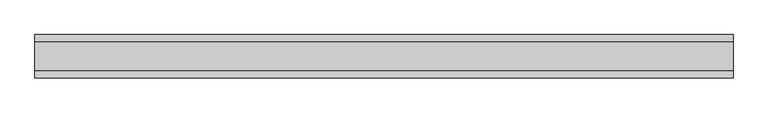
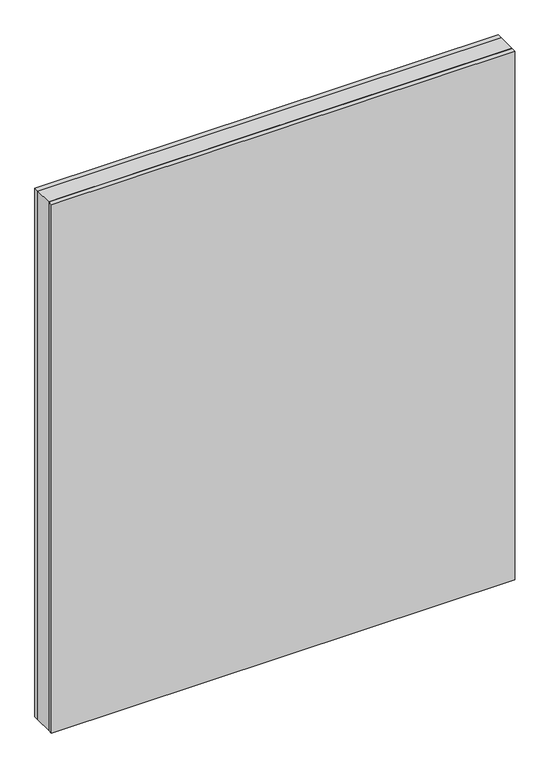
"""IFC4 building model written with IfcOpenShell, lengths in millimetres: plate geometry."""

from ifc_helpers import new_model, si_unit, origin, origin_with_axes, place, context, project, spatial, polyline, outline, extrude, source, transform, mapped, element, save


def plate_1a5a8a6e(model_context):
    return source(origin(), model_context, "Body", "SweptSolid", [
        extrude(outline(polyline([(602.1875001, 24.2), (602.1875001, -24.2), (-602.1875001, -24.2), (-602.1875001, 24.2), (602.1875001, 24.2)])), origin_with_axes(), (0.0, 0.0, 1.0), 1451.75),
        extrude(outline(polyline([(602.1875001, 37.2), (602.1875001, 24.2), (-602.1875001, 24.2), (-602.1875001, 37.2), (602.1875001, 37.2)])), origin_with_axes(), (0.0, 0.0, 1.0), 1451.75),
        extrude(outline(polyline([(-602.1875001, -37.2), (-602.1875001, -24.2), (602.1875001, -24.2), (602.1875001, -37.2), (-602.1875001, -37.2)])), origin_with_axes(), (0.0, 0.0, 1.0), 1451.75),
    ])


if __name__ == "__main__":
    model = new_model("IFC4")
    model_context = context("Model", 3, world=origin())
    ifc_project = project(units=[si_unit("LENGTHUNIT", "METRE", prefix="MILLI")], contexts=[model_context])
    site = spatial("IfcSite", under=ifc_project)
    building = spatial("IfcBuilding", under=site)
    placement = place(None, origin())
    plate_shape = plate_1a5a8a6e(model_context)
    element("IfcPlate", 1, at=placement, inside=building, context=model_context, shape_type="MappedRepresentation", body=[
        mapped(plate_shape, transform((0.0, 0.0, 0.0), x_axis=(1.0, 0.0, 0.0), y_axis=(0.0, 1.0, 0.0), z_axis=(0.0, 0.0, 1.0))),
    ])
    save(model, "model.ifc")
